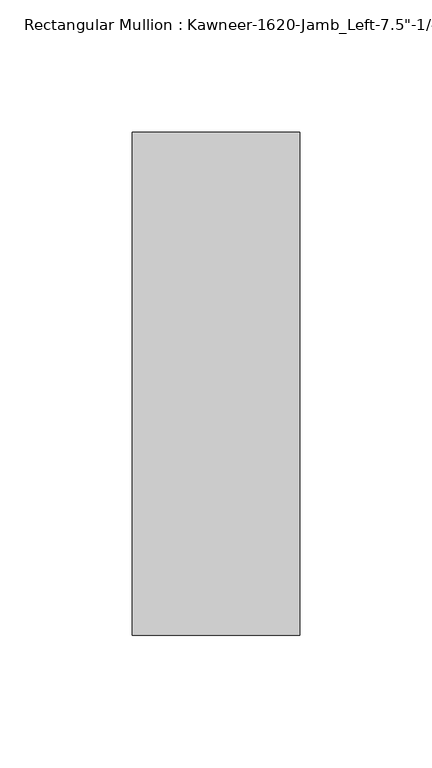
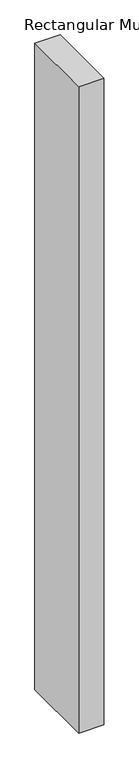
"""IFC4 building model written with IfcOpenShell, lengths in millimetres: member geometry."""

import ifcopenshell
import ifcopenshell.guid

model = None  # the IFC model being written
_history = None  # IfcOwnerHistory: only IFC2X3 demands one
_inside = {}  # id of a spatial element -> (the spatial element, [elements in it])
_under = {}  # id of a project, library or spatial element -> (it, [spatial elements below it])
_declared = {}  # id of a project -> (the project, [libraries it declares])
_typed = {}  # id of a type object -> (the type object, [elements of that type])
_made_of = {}  # id of a material, layer set ... -> (it, [elements and type objects made of it])


def new_model(schema):
    """Start an empty IFC model of exactly this schema.

    Asked for "IFC4X3", IfcOpenShell would pick the latest addendum, in which some entities
    have other attributes; the version numbers below select the first issue.
    IFC2X3 requires an IfcOwnerHistory on every rooted entity: one is made here for all.
    """
    global model, _history
    if schema == "IFC4X3":
        model = ifcopenshell.file(schema_version=(4, 3, 0, 0))
    else:
        model = ifcopenshell.file(schema=schema)
    _inside.clear()
    _under.clear()
    _declared.clear()
    _typed.clear()
    _made_of.clear()
    _history = None
    if model.schema == "IFC2X3":
        org = make("IfcOrganization", Name="unknown")
        user = make(
            "IfcPersonAndOrganization",
            ThePerson=make("IfcPerson", FamilyName="unknown"),
            TheOrganization=org,
        )
        app = make(
            "IfcApplication",
            ApplicationDeveloper=org,
            Version="unknown",
            ApplicationFullName="unknown",
            ApplicationIdentifier="unknown",
        )
        _history = make(
            "IfcOwnerHistory",
            OwningUser=user,
            OwningApplication=app,
            ChangeAction="ADDED",
            CreationDate=0,
        )
    return model


def make(cls, **values):
    """One entity of the class cls with the attributes given. An attribute that is None is left unset."""
    return model.create_entity(
        cls, **{name: value for name, value in values.items() if value is not None}
    )


def rooted(cls, **values):
    """An entity with a GlobalId (a new one), such as an element, a storey or a relation."""
    return make(cls, GlobalId=ifcopenshell.guid.new(), OwnerHistory=_history, **values)


def si_unit(unit_type, name, prefix=None):
    """IfcSIUnit, for example si_unit("LENGTHUNIT", "METRE", prefix="MILLI")."""
    return make("IfcSIUnit", UnitType=unit_type, Prefix=prefix, Name=name)


def assignment(units):
    """IfcUnitAssignment: the units of a project."""
    return None if units is None else make("IfcUnitAssignment", Units=units)


def point(xyz):
    """IfcCartesianPoint."""
    return None if xyz is None else make("IfcCartesianPoint", Coordinates=xyz)


def direction(xyz):
    """IfcDirection."""
    return None if xyz is None else make("IfcDirection", DirectionRatios=xyz)


def frame(location, z_axis=None, x_axis=None):
    """IfcAxis2Placement3D, a coordinate frame: its origin and axes. An axis left out is left unset."""
    return make(
        "IfcAxis2Placement3D",
        Location=point(location),
        Axis=direction(z_axis),
        RefDirection=direction(x_axis),
    )


def origin():
    """The frame at (0, 0, 0) with its axes left unset."""
    return frame((0.0, 0.0, 0.0))


def place(relative_to, where):
    """IfcLocalPlacement: puts the frame where relative to a parent placement (None: the world)."""
    return make(
        "IfcLocalPlacement", PlacementRelTo=relative_to, RelativePlacement=where
    )


def context(
    kind, dimensions, precision=None, world=None, true_north=None, identifier=None
):
    """IfcGeometricRepresentationContext, for example the 3D "Model" context."""
    return make(
        "IfcGeometricRepresentationContext",
        ContextIdentifier=identifier,
        ContextType=kind,
        CoordinateSpaceDimension=dimensions,
        Precision=precision,
        WorldCoordinateSystem=world,
        TrueNorth=true_north,
    )


def project(units=None, contexts=None):
    """IfcProject with its units and contexts."""
    return rooted(
        "IfcProject",
        Name="project",
        RepresentationContexts=contexts,
        UnitsInContext=assignment(units),
    )


def spatial(cls, under=None, at=None, **own):
    """A site, building, storey or space (cls), placed at a placement, below another one or the project."""
    s = rooted(cls, ObjectPlacement=at, **own)
    if under is not None:
        _under.setdefault(under.id(), (under, []))[1].append(s)
    return s


def polyline(points):
    """IfcPolyline through the points."""
    return make("IfcPolyline", Points=[point(p) for p in points])


def outline(outer, holes=None, kind="AREA"):
    """IfcArbitraryClosedProfileDef: a profile drawn as a closed curve; with holes, ...WithVoids."""
    if holes is None:
        return make("IfcArbitraryClosedProfileDef", ProfileType=kind, OuterCurve=outer)
    return make(
        "IfcArbitraryProfileDefWithVoids",
        ProfileType=kind,
        OuterCurve=outer,
        InnerCurves=holes,
    )


def extrude(swept, where, along, depth):
    """IfcExtrudedAreaSolid: the profile swept, set in the frame where, extruded along a direction by depth."""
    return make(
        "IfcExtrudedAreaSolid",
        SweptArea=swept,
        Position=where,
        ExtrudedDirection=direction(along),
        Depth=depth,
    )


def shape(context_of_items, identifier, shape_type, items):
    """IfcShapeRepresentation: the items that make up one representation, for example the "Body"."""
    return make(
        "IfcShapeRepresentation",
        ContextOfItems=context_of_items,
        RepresentationIdentifier=identifier,
        RepresentationType=shape_type,
        Items=items,
    )


def source(mapping_origin, context_of_items, identifier, shape_type, items):
    """IfcRepresentationMap: a shape defined once, which mapped items show again and again."""
    return make(
        "IfcRepresentationMap",
        MappingOrigin=mapping_origin,
        MappedRepresentation=shape(context_of_items, identifier, shape_type, items),
    )


def transform(
    local_origin,
    x_axis=None,
    y_axis=None,
    z_axis=None,
    scale=None,
    scale2=None,
    scale3=None,
    uniform=True,
):
    """IfcCartesianTransformationOperator3D, or its non-uniform kind. x_axis, y_axis, z_axis: its Axis1, 2, 3."""
    if uniform:
        return make(
            "IfcCartesianTransformationOperator3D",
            Axis1=direction(x_axis),
            Axis2=direction(y_axis),
            LocalOrigin=point(local_origin),
            Scale=scale,
            Axis3=direction(z_axis),
        )
    return make(
        "IfcCartesianTransformationOperator3DnonUniform",
        Axis1=direction(x_axis),
        Axis2=direction(y_axis),
        LocalOrigin=point(local_origin),
        Scale=scale,
        Axis3=direction(z_axis),
        Scale2=scale2,
        Scale3=scale3,
    )


def mapped(mapping_source, mapping_target):
    """IfcMappedItem: shows the shape of a source again, moved by a transform."""
    return make(
        "IfcMappedItem", MappingSource=mapping_source, MappingTarget=mapping_target
    )


def made_of(thing, what):
    """Note that an element or type object is made of a material, layer set ...; save() writes the relation."""
    if what is not None:
        _made_of.setdefault(what.id(), (what, []))[1].append(thing)
    return thing


def element(
    cls,
    number,
    at=None,
    inside=None,
    cuts=None,
    type_object=None,
    material=None,
    context=None,
    identifier="Body",
    shape_type=None,
    held_by="IfcProductDefinitionShape",
    body=None,
    shapes=None,
    **own,
):
    """One element of the class cls, such as IfcWall. Its Tag is "e" and its number.

    at: its placement. inside: the storey or other place that contains it. cuts: it is an
    opening in that element (IfcRelVoidsElement). A single representation is given by context,
    identifier, shape_type and body (its items); several are given by shapes. held_by: the class
    of the entity that holds the representations. save() writes the other relations.
    """
    e = rooted(cls, Tag="e%d" % number, ObjectPlacement=at, **own)
    if body is not None:
        shapes = [shape(context, identifier, shape_type, body)]
    if shapes is not None:
        e.Representation = make(held_by, Representations=shapes)
    if inside is not None:
        _inside.setdefault(inside.id(), (inside, []))[1].append(e)
    if cuts is not None:
        rooted(
            "IfcRelVoidsElement", RelatingBuildingElement=cuts, RelatedOpeningElement=e
        )
    if type_object is not None:
        _typed.setdefault(type_object.id(), (type_object, []))[1].append(e)
    return made_of(e, material)


def aggregate(whole, parts):
    """IfcRelAggregates: a whole, such as a stair, and the parts it consists of."""
    return rooted("IfcRelAggregates", RelatingObject=whole, RelatedObjects=parts)


def save(model, path):
    """Write the relations noted so far, then the file.

    IfcRelAggregates (storeys below a building ...), IfcRelContainedInSpatialStructure (elements
    in a storey), IfcRelDefinesByType, IfcRelAssociatesMaterial and IfcRelDeclares: one each for
    every whole, place, type object, material and project.
    """
    for whole, parts in _under.values():
        aggregate(whole, parts)
    for where, things in _inside.values():
        rooted(
            "IfcRelContainedInSpatialStructure",
            RelatedElements=things,
            RelatingStructure=where,
        )
    for kind, things in _typed.values():
        rooted("IfcRelDefinesByType", RelatedObjects=things, RelatingType=kind)
    for what, things in _made_of.values():
        rooted("IfcRelAssociatesMaterial", RelatedObjects=things, RelatingMaterial=what)
    for by, libraries in _declared.values():
        rooted("IfcRelDeclares", RelatingContext=by, RelatedDefinitions=libraries)
    model.write(path)


def member_2c402b2b(model_context):
    return source(origin(), model_context, "Body", "SweptSolid", [
        extrude(outline(polyline([(22.225, 28.575), (22.225, -161.925), (-41.275, -161.925), (-41.275, 28.575), (22.225, 28.575)])), frame((0.0, 0.0, -1720.85), z_axis=(0.0, 0.0, 1.0), x_axis=(1.0, 0.0, 0.0)), (0.0, 0.0, 1.0), 1720.85),
    ])


if __name__ == "__main__":
    model = new_model("IFC4")
    model_context = context("Model", 3, world=origin())
    ifc_project = project(units=[si_unit("LENGTHUNIT", "METRE", prefix="MILLI")], contexts=[model_context])
    site = spatial("IfcSite", under=ifc_project)
    building = spatial("IfcBuilding", under=site)
    placement = place(None, origin())
    member_shape = member_2c402b2b(model_context)
    element("IfcMember", 1, ObjectType="Rectangular Mullion : Kawneer-1620-Jamb_Left-7.5\"-1/4\"Infill", at=placement, inside=building, context=model_context, shape_type="MappedRepresentation", body=[
        mapped(member_shape, transform((0.0, 0.0, 0.0), x_axis=(1.0, 0.0, 0.0), y_axis=(0.0, 1.0, 0.0), z_axis=(0.0, 0.0, 1.0))),
    ])
    save(model, "model.ifc")
